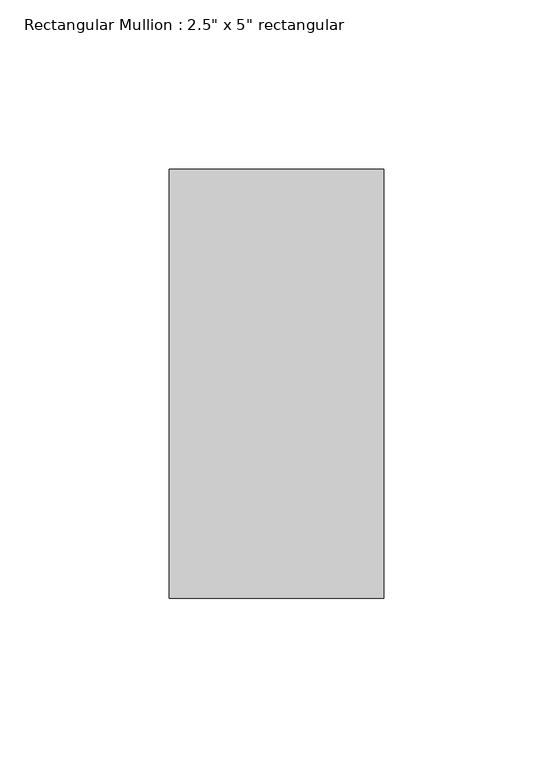
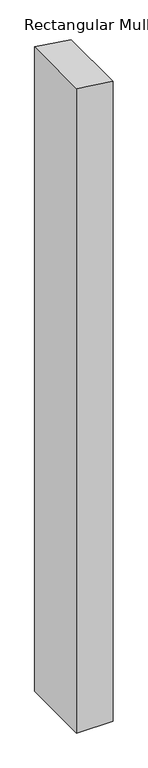
"""IFC4 building model written with IfcOpenShell, lengths in millimetres: member geometry."""

from ifc_helpers import new_model, si_unit, frame, origin, place, context, project, spatial, polyline, outline, extrude, source, transform, mapped, element, save


def member_e9fbdcdf(model_context):
    return source(origin(), model_context, "Body", "SweptSolid", [
        extrude(outline(polyline([(0.0, 0.0), (9.1708357, -63.5), (-1183.0983972, -63.5), (-1183.0983972, 0.0), (0.0, 0.0)])), frame((0.0, -63.5, 0.0), z_axis=(0.0, 1.0, 0.0), x_axis=(0.0, 0.0, 1.0)), (0.0, 0.0, 1.0), 127.0),
    ])


if __name__ == "__main__":
    model = new_model("IFC4")
    model_context = context("Model", 3, world=origin())
    ifc_project = project(units=[si_unit("LENGTHUNIT", "METRE", prefix="MILLI")], contexts=[model_context])
    site = spatial("IfcSite", under=ifc_project)
    building = spatial("IfcBuilding", under=site)
    placement = place(None, origin())
    member_shape = member_e9fbdcdf(model_context)
    element("IfcMember", 1, ObjectType="Rectangular Mullion : 2.5\" x 5\" rectangular", at=placement, inside=building, context=model_context, shape_type="MappedRepresentation", body=[
        mapped(member_shape, transform((0.0, 0.0, 0.0), x_axis=(1.0, 0.0, 0.0), y_axis=(0.0, 1.0, 0.0), z_axis=(0.0, 0.0, 1.0))),
    ])
    save(model, "model.ifc")
